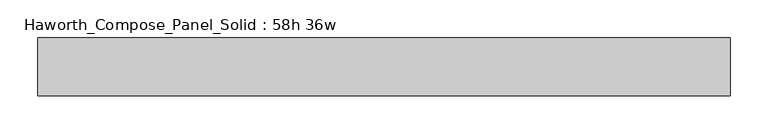
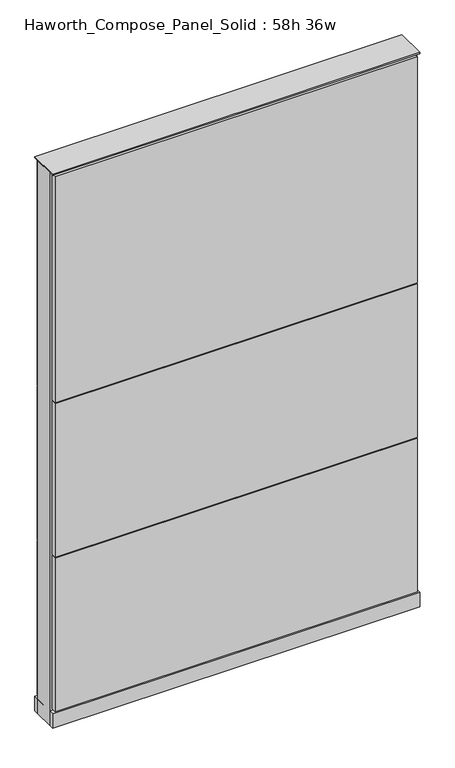
"""IFC4 building model written with IfcOpenShell, lengths in millimetres: furniture geometry, Haworth_Compose_Panel_Solid : 58h 36w."""

from ifc_helpers import new_model, si_unit, point, frame, frame_2d, origin, origin_with_axes, place, context, project, spatial, polyline, circle_curve, trimmed, segment, composite_curve, outline, extrude, source, transform, mapped, element, save


def haworth_compose_panel_solid_58h_36w_f4b46a9c(model_context):
    return source(origin(), model_context, "Body", "SweptSolid", [
        extrude(outline(composite_curve([segment(trimmed(circle_curve(frame_2d((-378.5597098, 0.0)), 12.7), [point((-391.2597098, 0.0))], [point((-365.8597098, 0.0))], False, "CARTESIAN"), True, "CONTINUOUS"), segment(trimmed(circle_curve(frame_2d((-378.5597098, 0.0)), 12.7), [point((-365.8597098, 0.0))], [point((-391.2597098, 0.0))], False, "CARTESIAN"), True, "CONTINUOUS")], self_intersect=False)), origin_with_axes(), (0.0, 0.0, 1.0), 12.7),
        extrude(outline(composite_curve([segment(trimmed(circle_curve(frame_2d((383.4402902, 0.0)), 12.7), [point((370.7402902, 0.0))], [point((396.1402902, 0.0))], False, "CARTESIAN"), True, "CONTINUOUS"), segment(trimmed(circle_curve(frame_2d((383.4402902, 0.0)), 12.7), [point((396.1402902, 0.0))], [point((370.7402902, 0.0))], False, "CARTESIAN"), True, "CONTINUOUS")], self_intersect=False)), origin_with_axes(), (0.0, 0.0, 1.0), 12.7),
        extrude(outline(polyline([(453.2902902, 38.1), (453.2902902, 25.4), (-448.4097098, 25.4), (-448.4097098, 38.1), (453.2902902, 38.1)])), frame((0.0, 0.0, 866.775), z_axis=(0.0, 0.0, 1.0), x_axis=(1.0, 0.0, 0.0)), (0.0, 0.0, 1.0), 593.725),
        extrude(outline(polyline([(453.2902902, 38.1), (453.2902902, 25.4), (-448.4097098, 25.4), (-448.4097098, 38.1), (453.2902902, 38.1)])), frame((0.0, 0.0, 460.375), z_axis=(0.0, 0.0, 1.0), x_axis=(1.0, 0.0, 0.0)), (0.0, 0.0, 1.0), 403.225),
        extrude(outline(polyline([(453.2902902, 38.1), (453.2902902, 25.4), (-448.4097098, 25.4), (-448.4097098, 38.1), (453.2902902, 38.1)])), frame((0.0, 0.0, 53.975), z_axis=(0.0, 0.0, 1.0), x_axis=(1.0, 0.0, 0.0)), (0.0, 0.0, 1.0), 403.225),
        extrude(outline(polyline([(453.2902902, -38.1), (-448.4097098, -38.1), (-448.4097098, -25.4), (453.2902902, -25.4), (453.2902902, -38.1)])), frame((0.0, 0.0, 866.775), z_axis=(0.0, 0.0, 1.0), x_axis=(1.0, 0.0, 0.0)), (0.0, 0.0, 1.0), 593.725),
        extrude(outline(polyline([(453.2902902, -38.1), (-448.4097098, -38.1), (-448.4097098, -25.4), (453.2902902, -25.4), (453.2902902, -38.1)])), frame((0.0, 0.0, 460.375), z_axis=(0.0, 0.0, 1.0), x_axis=(1.0, 0.0, 0.0)), (0.0, 0.0, 1.0), 403.225),
        extrude(outline(polyline([(453.2902902, -38.1), (-448.4097098, -38.1), (-448.4097098, -25.4), (453.2902902, -25.4), (453.2902902, -38.1)])), frame((0.0, 0.0, 53.975), z_axis=(0.0, 0.0, 1.0), x_axis=(1.0, 0.0, 0.0)), (0.0, 0.0, 1.0), 403.225),
        extrude(outline(polyline([(459.6402902, 25.4), (459.6402902, -25.4), (-454.7597098, -25.4), (-454.7597098, 25.4), (459.6402902, 25.4)])), frame((0.0, 0.0, 12.7), z_axis=(0.0, 0.0, 1.0), x_axis=(1.0, 0.0, 0.0)), (0.0, 0.0, 1.0), 1454.15),
        extrude(outline(polyline([(-454.7597098, -38.1), (-454.7597098, 38.1), (459.6402902, 38.1), (459.6402902, -38.1), (-454.7597098, -38.1)])), frame((0.0, 0.0, 12.7), z_axis=(0.0, 0.0, 1.0), x_axis=(1.0, 0.0, 0.0)), (0.0, 0.0, 1.0), 38.1),
        extrude(outline(polyline([(-454.7597098, -38.1), (-454.7597098, 38.1), (459.6402902, 38.1), (459.6402902, -38.1), (-454.7597098, -38.1)])), frame((0.0, 0.0, 1466.85), z_axis=(0.0, 0.0, 1.0), x_axis=(1.0, 0.0, 0.0)), (0.0, 0.0, 1.0), 3.175),
    ])


if __name__ == "__main__":
    model = new_model("IFC4")
    model_context = context("Model", 3, world=origin())
    ifc_project = project(units=[si_unit("LENGTHUNIT", "METRE", prefix="MILLI")], contexts=[model_context])
    site = spatial("IfcSite", under=ifc_project)
    building = spatial("IfcBuilding", under=site)
    placement = place(None, origin())
    haworth_compose_panel_solid_58h_36w_shape = haworth_compose_panel_solid_58h_36w_f4b46a9c(model_context)
    element("IfcFurniture", 1, ObjectType="Haworth_Compose_Panel_Solid : 58h 36w", at=placement, inside=building, context=model_context, shape_type="MappedRepresentation", body=[
        mapped(haworth_compose_panel_solid_58h_36w_shape, transform((0.0, 0.0, 0.0), x_axis=(1.0, 0.0, 0.0), y_axis=(0.0, 1.0, 0.0), z_axis=(0.0, 0.0, 1.0))),
    ])
    save(model, "model.ifc")
